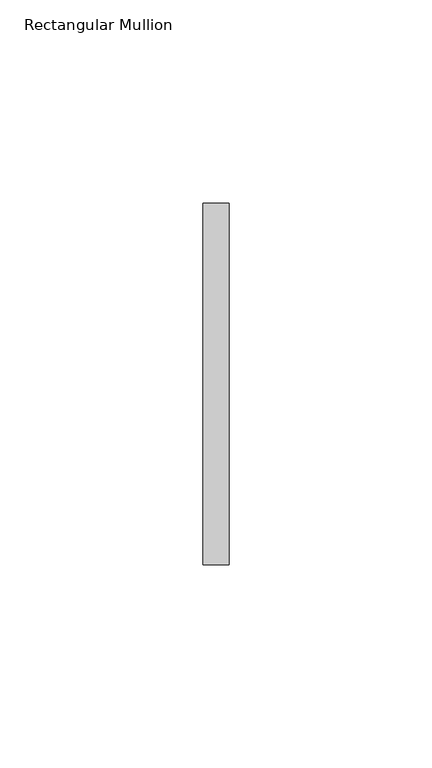
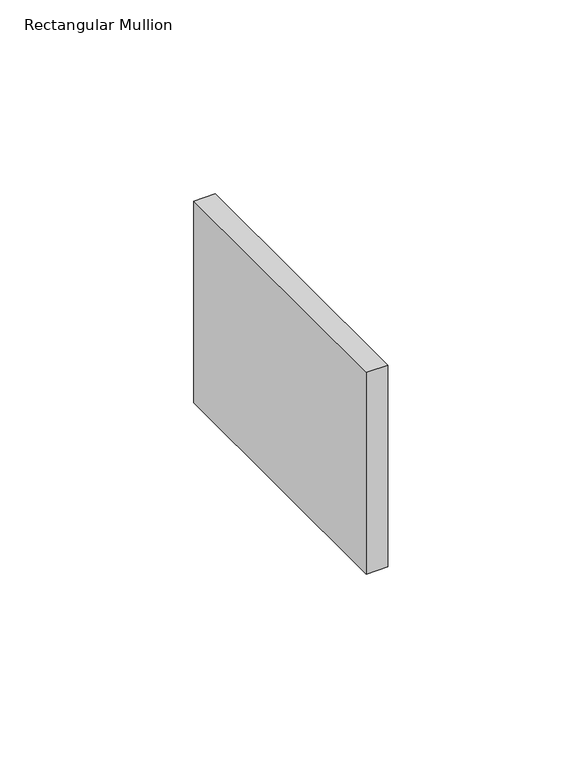
"""IFC4 building model written with IfcOpenShell, lengths in millimetres: member geometry, Rectangular Mullion."""

from ifc_helpers import new_model, si_unit, frame, origin, place, context, project, spatial, polyline, outline, extrude, source, transform, mapped, element, save


def rectangular_mullion_76252af4(model_context):
    return source(origin(), model_context, "Body", "SweptSolid", [
        extrude(outline(polyline([(0.0, 44.45), (0.0, -44.45), (-6.35, -44.45), (-6.35, 44.45), (0.0, 44.45)])), frame((0.0, 0.0, -63.5), z_axis=(0.0, 0.0, 1.0), x_axis=(1.0, 0.0, 0.0)), (0.0, 0.0, 1.0), 63.5),
    ])


if __name__ == "__main__":
    model = new_model("IFC4")
    model_context = context("Model", 3, world=origin())
    ifc_project = project(units=[si_unit("LENGTHUNIT", "METRE", prefix="MILLI")], contexts=[model_context])
    site = spatial("IfcSite", under=ifc_project)
    building = spatial("IfcBuilding", under=site)
    placement = place(None, origin())
    rectangular_mullion_shape = rectangular_mullion_76252af4(model_context)
    element("IfcMember", 1, ObjectType="Rectangular Mullion", at=placement, inside=building, context=model_context, shape_type="MappedRepresentation", body=[
        mapped(rectangular_mullion_shape, transform((0.0, 0.0, 0.0), x_axis=(1.0, 0.0, 0.0), y_axis=(0.0, 1.0, 0.0), z_axis=(0.0, 0.0, 1.0))),
    ])
    save(model, "model.ifc")
